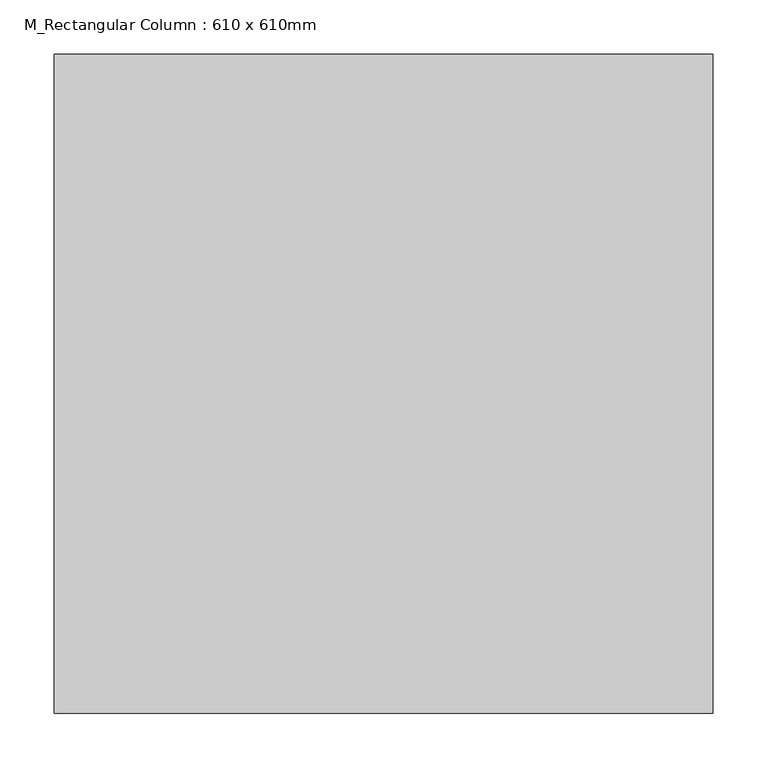
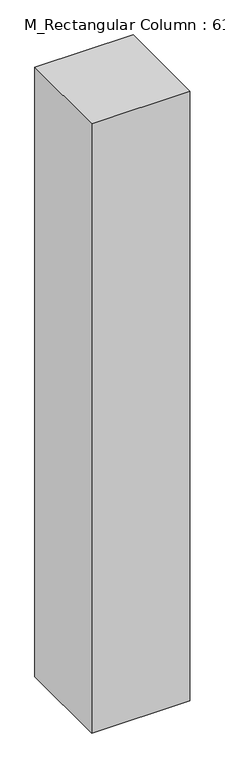
"""IFC4 building model written with IfcOpenShell, lengths in millimetres: column geometry, M_Rectangular Column : 610 x 610mm."""

import ifcopenshell
import ifcopenshell.guid

model = None  # the IFC model being written
_history = None  # IfcOwnerHistory: only IFC2X3 demands one
_inside = {}  # id of a spatial element -> (the spatial element, [elements in it])
_under = {}  # id of a project, library or spatial element -> (it, [spatial elements below it])
_declared = {}  # id of a project -> (the project, [libraries it declares])
_typed = {}  # id of a type object -> (the type object, [elements of that type])
_made_of = {}  # id of a material, layer set ... -> (it, [elements and type objects made of it])


def new_model(schema):
    """Start an empty IFC model of exactly this schema.

    Asked for "IFC4X3", IfcOpenShell would pick the latest addendum, in which some entities
    have other attributes; the version numbers below select the first issue.
    IFC2X3 requires an IfcOwnerHistory on every rooted entity: one is made here for all.
    """
    global model, _history
    if schema == "IFC4X3":
        model = ifcopenshell.file(schema_version=(4, 3, 0, 0))
    else:
        model = ifcopenshell.file(schema=schema)
    _inside.clear()
    _under.clear()
    _declared.clear()
    _typed.clear()
    _made_of.clear()
    _history = None
    if model.schema == "IFC2X3":
        org = make("IfcOrganization", Name="unknown")
        user = make(
            "IfcPersonAndOrganization",
            ThePerson=make("IfcPerson", FamilyName="unknown"),
            TheOrganization=org,
        )
        app = make(
            "IfcApplication",
            ApplicationDeveloper=org,
            Version="unknown",
            ApplicationFullName="unknown",
            ApplicationIdentifier="unknown",
        )
        _history = make(
            "IfcOwnerHistory",
            OwningUser=user,
            OwningApplication=app,
            ChangeAction="ADDED",
            CreationDate=0,
        )
    return model


def make(cls, **values):
    """One entity of the class cls with the attributes given. An attribute that is None is left unset."""
    return model.create_entity(
        cls, **{name: value for name, value in values.items() if value is not None}
    )


def rooted(cls, **values):
    """An entity with a GlobalId (a new one), such as an element, a storey or a relation."""
    return make(cls, GlobalId=ifcopenshell.guid.new(), OwnerHistory=_history, **values)


def si_unit(unit_type, name, prefix=None):
    """IfcSIUnit, for example si_unit("LENGTHUNIT", "METRE", prefix="MILLI")."""
    return make("IfcSIUnit", UnitType=unit_type, Prefix=prefix, Name=name)


def assignment(units):
    """IfcUnitAssignment: the units of a project."""
    return None if units is None else make("IfcUnitAssignment", Units=units)


def point(xyz):
    """IfcCartesianPoint."""
    return None if xyz is None else make("IfcCartesianPoint", Coordinates=xyz)


def direction(xyz):
    """IfcDirection."""
    return None if xyz is None else make("IfcDirection", DirectionRatios=xyz)


def frame(location, z_axis=None, x_axis=None):
    """IfcAxis2Placement3D, a coordinate frame: its origin and axes. An axis left out is left unset."""
    return make(
        "IfcAxis2Placement3D",
        Location=point(location),
        Axis=direction(z_axis),
        RefDirection=direction(x_axis),
    )


def origin():
    """The frame at (0, 0, 0) with its axes left unset."""
    return frame((0.0, 0.0, 0.0))


def place(relative_to, where):
    """IfcLocalPlacement: puts the frame where relative to a parent placement (None: the world)."""
    return make(
        "IfcLocalPlacement", PlacementRelTo=relative_to, RelativePlacement=where
    )


def context(
    kind, dimensions, precision=None, world=None, true_north=None, identifier=None
):
    """IfcGeometricRepresentationContext, for example the 3D "Model" context."""
    return make(
        "IfcGeometricRepresentationContext",
        ContextIdentifier=identifier,
        ContextType=kind,
        CoordinateSpaceDimension=dimensions,
        Precision=precision,
        WorldCoordinateSystem=world,
        TrueNorth=true_north,
    )


def project(units=None, contexts=None):
    """IfcProject with its units and contexts."""
    return rooted(
        "IfcProject",
        Name="project",
        RepresentationContexts=contexts,
        UnitsInContext=assignment(units),
    )


def spatial(cls, under=None, at=None, **own):
    """A site, building, storey or space (cls), placed at a placement, below another one or the project."""
    s = rooted(cls, ObjectPlacement=at, **own)
    if under is not None:
        _under.setdefault(under.id(), (under, []))[1].append(s)
    return s


def polyline(points):
    """IfcPolyline through the points."""
    return make("IfcPolyline", Points=[point(p) for p in points])


def outline(outer, holes=None, kind="AREA"):
    """IfcArbitraryClosedProfileDef: a profile drawn as a closed curve; with holes, ...WithVoids."""
    if holes is None:
        return make("IfcArbitraryClosedProfileDef", ProfileType=kind, OuterCurve=outer)
    return make(
        "IfcArbitraryProfileDefWithVoids",
        ProfileType=kind,
        OuterCurve=outer,
        InnerCurves=holes,
    )


def extrude(swept, where, along, depth):
    """IfcExtrudedAreaSolid: the profile swept, set in the frame where, extruded along a direction by depth."""
    return make(
        "IfcExtrudedAreaSolid",
        SweptArea=swept,
        Position=where,
        ExtrudedDirection=direction(along),
        Depth=depth,
    )


def shape(context_of_items, identifier, shape_type, items):
    """IfcShapeRepresentation: the items that make up one representation, for example the "Body"."""
    return make(
        "IfcShapeRepresentation",
        ContextOfItems=context_of_items,
        RepresentationIdentifier=identifier,
        RepresentationType=shape_type,
        Items=items,
    )


def source(mapping_origin, context_of_items, identifier, shape_type, items):
    """IfcRepresentationMap: a shape defined once, which mapped items show again and again."""
    return make(
        "IfcRepresentationMap",
        MappingOrigin=mapping_origin,
        MappedRepresentation=shape(context_of_items, identifier, shape_type, items),
    )


def transform(
    local_origin,
    x_axis=None,
    y_axis=None,
    z_axis=None,
    scale=None,
    scale2=None,
    scale3=None,
    uniform=True,
):
    """IfcCartesianTransformationOperator3D, or its non-uniform kind. x_axis, y_axis, z_axis: its Axis1, 2, 3."""
    if uniform:
        return make(
            "IfcCartesianTransformationOperator3D",
            Axis1=direction(x_axis),
            Axis2=direction(y_axis),
            LocalOrigin=point(local_origin),
            Scale=scale,
            Axis3=direction(z_axis),
        )
    return make(
        "IfcCartesianTransformationOperator3DnonUniform",
        Axis1=direction(x_axis),
        Axis2=direction(y_axis),
        LocalOrigin=point(local_origin),
        Scale=scale,
        Axis3=direction(z_axis),
        Scale2=scale2,
        Scale3=scale3,
    )


def mapped(mapping_source, mapping_target):
    """IfcMappedItem: shows the shape of a source again, moved by a transform."""
    return make(
        "IfcMappedItem", MappingSource=mapping_source, MappingTarget=mapping_target
    )


def made_of(thing, what):
    """Note that an element or type object is made of a material, layer set ...; save() writes the relation."""
    if what is not None:
        _made_of.setdefault(what.id(), (what, []))[1].append(thing)
    return thing


def element(
    cls,
    number,
    at=None,
    inside=None,
    cuts=None,
    type_object=None,
    material=None,
    context=None,
    identifier="Body",
    shape_type=None,
    held_by="IfcProductDefinitionShape",
    body=None,
    shapes=None,
    **own,
):
    """One element of the class cls, such as IfcWall. Its Tag is "e" and its number.

    at: its placement. inside: the storey or other place that contains it. cuts: it is an
    opening in that element (IfcRelVoidsElement). A single representation is given by context,
    identifier, shape_type and body (its items); several are given by shapes. held_by: the class
    of the entity that holds the representations. save() writes the other relations.
    """
    e = rooted(cls, Tag="e%d" % number, ObjectPlacement=at, **own)
    if body is not None:
        shapes = [shape(context, identifier, shape_type, body)]
    if shapes is not None:
        e.Representation = make(held_by, Representations=shapes)
    if inside is not None:
        _inside.setdefault(inside.id(), (inside, []))[1].append(e)
    if cuts is not None:
        rooted(
            "IfcRelVoidsElement", RelatingBuildingElement=cuts, RelatedOpeningElement=e
        )
    if type_object is not None:
        _typed.setdefault(type_object.id(), (type_object, []))[1].append(e)
    return made_of(e, material)


def aggregate(whole, parts):
    """IfcRelAggregates: a whole, such as a stair, and the parts it consists of."""
    return rooted("IfcRelAggregates", RelatingObject=whole, RelatedObjects=parts)


def save(model, path):
    """Write the relations noted so far, then the file.

    IfcRelAggregates (storeys below a building ...), IfcRelContainedInSpatialStructure (elements
    in a storey), IfcRelDefinesByType, IfcRelAssociatesMaterial and IfcRelDeclares: one each for
    every whole, place, type object, material and project.
    """
    for whole, parts in _under.values():
        aggregate(whole, parts)
    for where, things in _inside.values():
        rooted(
            "IfcRelContainedInSpatialStructure",
            RelatedElements=things,
            RelatingStructure=where,
        )
    for kind, things in _typed.values():
        rooted("IfcRelDefinesByType", RelatedObjects=things, RelatingType=kind)
    for what, things in _made_of.values():
        rooted("IfcRelAssociatesMaterial", RelatedObjects=things, RelatingMaterial=what)
    for by, libraries in _declared.values():
        rooted("IfcRelDeclares", RelatingContext=by, RelatedDefinitions=libraries)
    model.write(path)


def m_rectangular_column_610_x_610mm_c14be002(model_context):
    return source(origin(), model_context, "Body", "SweptSolid", [
        extrude(outline(polyline([(305.0, 305.0), (305.0, -305.0), (-305.0, -305.0), (-305.0, 305.0), (305.0, 305.0)])), frame((0.0, 0.0, 22000.0), z_axis=(0.0, 0.0, 1.0), x_axis=(1.0, 0.0, 0.0)), (0.0, 0.0, 1.0), 4000.0),
    ])


if __name__ == "__main__":
    model = new_model("IFC4")
    model_context = context("Model", 3, world=origin())
    ifc_project = project(units=[si_unit("LENGTHUNIT", "METRE", prefix="MILLI")], contexts=[model_context])
    site = spatial("IfcSite", under=ifc_project)
    building = spatial("IfcBuilding", under=site)
    placement = place(None, origin())
    m_rectangular_column_610_x_610mm_shape = m_rectangular_column_610_x_610mm_c14be002(model_context)
    element("IfcColumn", 1, ObjectType="M_Rectangular Column : 610 x 610mm", at=placement, inside=building, context=model_context, shape_type="MappedRepresentation", body=[
        mapped(m_rectangular_column_610_x_610mm_shape, transform((0.0, 0.0, 0.0), x_axis=(1.0, 0.0, 0.0), y_axis=(0.0, 1.0, 0.0), z_axis=(0.0, 0.0, 1.0))),
    ])
    save(model, "model.ifc")
